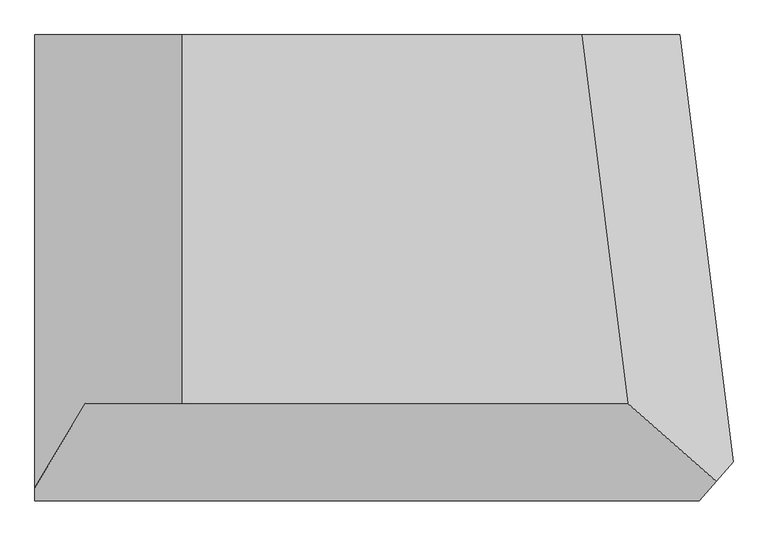
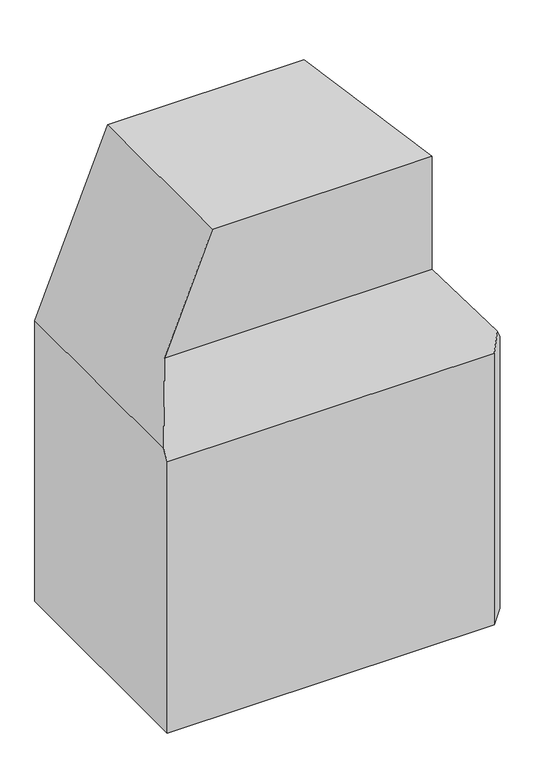
"""IFC4 building model written with IfcOpenShell, lengths in millimetres: proxy geometry."""

from ifc_helpers import new_model, si_unit, origin, place, context, project, spatial, faceted_brep, source, transform, mapped, element, save


def generic_models_28d773ae(model_context):
    return source(origin(), model_context, "Body", "Brep", [
        faceted_brep([(642.8270434, -1300.3135097, 50000.0), (-1734.9813925, 17699.6868987, 50000.0), (-22295.9784025, 17699.6868987, 50000.0), (-22295.9784025, -1300.3135097, 50000.0), (-29895.9784025, 17699.6868987, 0.0), (3304.0214212, 17699.6868987, 0.0), (6057.2732352, -4300.3131013, 0.0), (4304.0214212, -6300.3135097, 0.0), (-29895.9784025, -6300.3135097, 0.0), (-29895.9784025, -6300.3135097, 30000.0), (-29895.9784025, -5633.646843, 31000.0), (-29895.9784025, 17699.6868987, 31000.0), (4304.0214212, -6300.3135097, 30000.0), (6057.2732352, -4300.3131013, 30000.0), (5178.0181909, -5303.3124615, 31495.5015723), (3304.0214212, 17699.6868987, 30000.0), (-1734.9813925, 17699.6868987, 37500.0), (642.8270434, -1300.3135097, 37500.0), (-27295.9784025, -1300.3135097, 37500.0)], [[[0, 1, 2, 3]], [[4, 5, 6, 7, 8]], [[4, 8, 9, 10, 11]], [[8, 7, 12, 9]], [[7, 6, 13, 14, 12]], [[6, 5, 15, 13]], [[5, 4, 11, 2, 1, 16, 15]], [[13, 15, 16, 17, 14]], [[16, 1, 0, 17]], [[9, 12, 14, 17, 18, 10]], [[17, 0, 3, 18]], [[3, 2, 11, 10, 18]]]),
    ])


if __name__ == "__main__":
    model = new_model("IFC4")
    model_context = context("Model", 3, world=origin())
    ifc_project = project(units=[si_unit("LENGTHUNIT", "METRE", prefix="MILLI")], contexts=[model_context])
    site = spatial("IfcSite", under=ifc_project)
    building = spatial("IfcBuilding", under=site)
    placement = place(None, origin())
    generic_models_shape = generic_models_28d773ae(model_context)
    element("IfcBuildingElementProxy", 1, Name="Generic Models", at=placement, inside=building, context=model_context, shape_type="MappedRepresentation", body=[
        mapped(generic_models_shape, transform((0.0, 0.0, 0.0), x_axis=(1.0, 0.0, 0.0), y_axis=(0.0, 1.0, 0.0), z_axis=(0.0, 0.0, 1.0))),
    ])
    save(model, "model.ifc")
